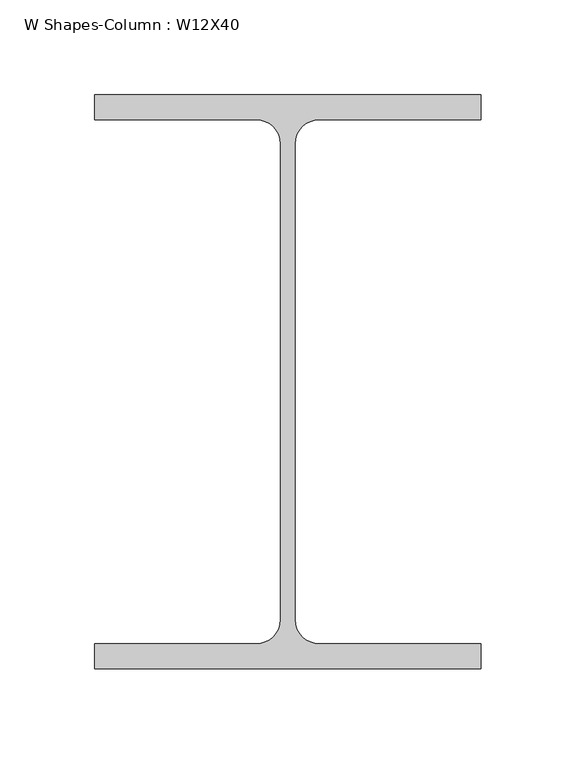
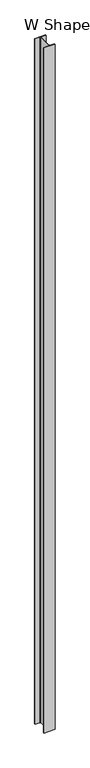
"""IFC4 building model written with IfcOpenShell, lengths in millimetres: column geometry, W Shapes-Column : W12X40."""

from ifc_helpers import new_model, si_unit, point, frame_2d, origin, origin_with_axes, place, context, project, spatial, polyline, circle_curve, trimmed, segment, composite_curve, outline, extrude, source, transform, mapped, element, save


def w_shapes_column_w12x40_0a07f558(model_context):
    return source(origin(), model_context, "Body", "SweptSolid", [
        extrude(outline(composite_curve([segment(polyline([(101.727, 151.13), (101.727, 138.049), (16.5735, 138.049)]), True, "CONTINUOUS"), segment(trimmed(circle_curve(frame_2d((16.5735, 125.222)), 12.827), [point((16.5735, 138.049))], [point((3.7465, 125.222))], True, "CARTESIAN"), True, "CONTINUOUS"), segment(polyline([(3.7465, 125.222), (3.7465, -125.222)]), True, "CONTINUOUS"), segment(trimmed(circle_curve(frame_2d((16.5735, -125.222)), 12.827), [point((3.7465, -125.222))], [point((16.5735, -138.049))], True, "CARTESIAN"), True, "CONTINUOUS"), segment(polyline([(16.5735, -138.049), (101.727, -138.049), (101.727, -151.13), (-101.727, -151.13), (-101.727, -138.049), (-16.5735, -138.049)]), True, "CONTINUOUS"), segment(trimmed(circle_curve(frame_2d((-16.5735, -125.222)), 12.827), [point((-16.5735, -138.049))], [point((-3.7465, -125.222))], True, "CARTESIAN"), True, "CONTINUOUS"), segment(polyline([(-3.7465, -125.222), (-3.7465, 125.222)]), True, "CONTINUOUS"), segment(trimmed(circle_curve(frame_2d((-16.5735, 125.222)), 12.827), [point((-3.7465, 125.222))], [point((-16.5735, 138.049))], True, "CARTESIAN"), True, "CONTINUOUS"), segment(polyline([(-16.5735, 138.049), (-101.727, 138.049), (-101.727, 151.13), (101.727, 151.13)]), True, "CONTINUOUS")], self_intersect=False)), origin_with_axes(), (0.0, 0.0, 1.0), 13411.2),
    ])


if __name__ == "__main__":
    model = new_model("IFC4")
    model_context = context("Model", 3, world=origin())
    ifc_project = project(units=[si_unit("LENGTHUNIT", "METRE", prefix="MILLI")], contexts=[model_context])
    site = spatial("IfcSite", under=ifc_project)
    building = spatial("IfcBuilding", under=site)
    placement = place(None, origin())
    w_shapes_column_w12x40_shape = w_shapes_column_w12x40_0a07f558(model_context)
    element("IfcColumn", 1, ObjectType="W Shapes-Column : W12X40", at=placement, inside=building, context=model_context, shape_type="MappedRepresentation", body=[
        mapped(w_shapes_column_w12x40_shape, transform((0.0, 0.0, 0.0), x_axis=(1.0, 0.0, 0.0), y_axis=(0.0, 1.0, 0.0), z_axis=(0.0, 0.0, 1.0))),
    ])
    save(model, "model.ifc")
